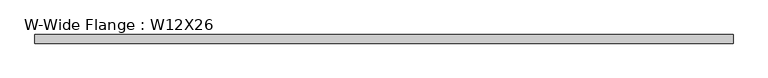
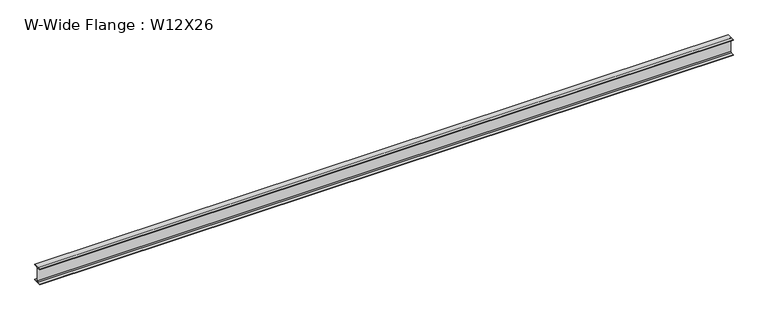
"""IFC4 building model written with IfcOpenShell, lengths in millimetres: beam geometry, W-Wide Flange : W12X26."""

from ifc_helpers import new_model, si_unit, point, frame, frame_2d, origin, place, context, project, spatial, polyline, circle_curve, trimmed, segment, composite_curve, outline, extrude, source, transform, mapped, element, save


def w_wide_flange_w12x26_8e4ad965(model_context):
    return source(origin(), model_context, "Body", "SweptSolid", [
        extrude(outline(composite_curve([segment(polyline([(82.4011719, -145.5539063), (82.4011719, -155.178125), (-82.4011719, -155.178125), (-82.4011719, -145.5539063), (-20.2902344, -145.5539063)]), True, "CONTINUOUS"), segment(trimmed(circle_curve(frame_2d((-20.2902344, -128.190625)), 17.3632812), [point((-20.2902344, -145.5539063))], [point((-2.9269531, -128.190625))], True, "CARTESIAN"), True, "CONTINUOUS"), segment(polyline([(-2.9269531, -128.190625), (-2.9269531, 128.190625)]), True, "CONTINUOUS"), segment(trimmed(circle_curve(frame_2d((-20.2902344, 128.190625)), 17.3632812), [point((-2.9269531, 128.190625))], [point((-20.2902344, 145.5539062))], True, "CARTESIAN"), True, "CONTINUOUS"), segment(polyline([(-20.2902344, 145.5539062), (-82.4011719, 145.5539062), (-82.4011719, 155.178125), (82.4011719, 155.178125), (82.4011719, 145.5539062), (20.2902344, 145.5539062)]), True, "CONTINUOUS"), segment(trimmed(circle_curve(frame_2d((20.2902344, 128.190625)), 17.3632812), [point((20.2902344, 145.5539062))], [point((2.9269531, 128.190625))], True, "CARTESIAN"), True, "CONTINUOUS"), segment(polyline([(2.9269531, 128.190625), (2.9269531, -128.190625)]), True, "CONTINUOUS"), segment(trimmed(circle_curve(frame_2d((20.2902344, -128.190625)), 17.3632812), [point((2.9269531, -128.190625))], [point((20.2902344, -145.5539063))], True, "CARTESIAN"), True, "CONTINUOUS"), segment(polyline([(20.2902344, -145.5539063), (82.4011719, -145.5539063)]), True, "CONTINUOUS")], self_intersect=False)), frame((-6667.7670398, 0.0, 0.0), z_axis=(1.0, 0.0, 0.0), x_axis=(0.0, 1.0, 0.0)), (0.0, 0.0, 1.0), 13335.5340796),
    ])


if __name__ == "__main__":
    model = new_model("IFC4")
    model_context = context("Model", 3, world=origin())
    ifc_project = project(units=[si_unit("LENGTHUNIT", "METRE", prefix="MILLI")], contexts=[model_context])
    site = spatial("IfcSite", under=ifc_project)
    building = spatial("IfcBuilding", under=site)
    placement = place(None, origin())
    w_wide_flange_w12x26_shape = w_wide_flange_w12x26_8e4ad965(model_context)
    element("IfcBeam", 1, ObjectType="W-Wide Flange : W12X26", at=placement, inside=building, context=model_context, shape_type="MappedRepresentation", body=[
        mapped(w_wide_flange_w12x26_shape, transform((0.0, 0.0, 0.0), x_axis=(1.0, 0.0, 0.0), y_axis=(0.0, 1.0, 0.0), z_axis=(0.0, 0.0, 1.0))),
    ])
    save(model, "model.ifc")
